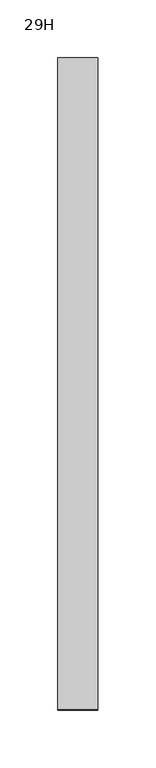
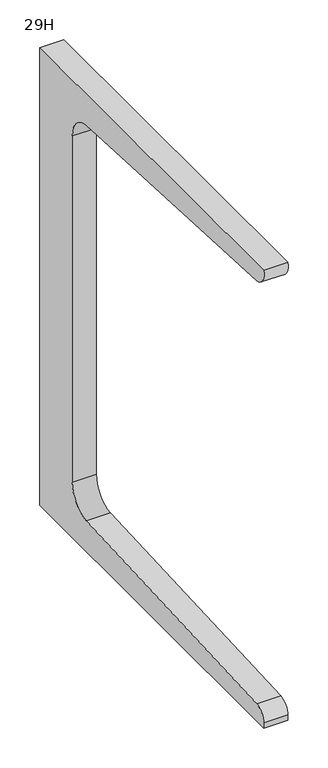
"""IFC4 building model written with IfcOpenShell, lengths in millimetres: furniture geometry, 29H."""

from ifc_helpers import new_model, si_unit, point, frame, frame_2d, origin, place, context, project, spatial, polyline, circle_curve, trimmed, segment, composite_curve, outline, extrude, source, transform, mapped, element, save


def furniture_29h_8c2367fe(model_context):
    return source(origin(), model_context, "Body", "SweptSolid", [
        extrude(outline(composite_curve([segment(polyline([(660.4, 704.85), (660.4, 0.0), (95.25, 0.0), (95.25, 7.8232003)]), True, "CONTINUOUS"), segment(trimmed(circle_curve(frame_2d((114.3089124, 7.8232003)), 19.0589124), [point((95.25, 7.8232003))], [point((112.8014117, 26.8223999))], False, "CARTESIAN"), True, "CONTINUOUS"), segment(polyline([(112.8014117, 26.8223999), (542.8234013, 48.0059996)]), True, "CONTINUOUS"), segment(trimmed(circle_curve(frame_2d((539.7255286, 86.0043979)), 38.1244684), [point((542.8234013, 48.0059996))], [point((577.849997, 86.0043979))], True, "CARTESIAN"), True, "CONTINUOUS"), segment(polyline([(577.849997, 86.0043979), (577.849997, 618.8455839)]), True, "CONTINUOUS"), segment(trimmed(circle_curve(frame_2d((539.7255188, 618.8455839)), 38.1244782), [point((577.849997, 618.8455839))], [point((542.8234013, 656.8439913))], True, "CARTESIAN"), True, "CONTINUOUS"), segment(polyline([(542.8234013, 656.8439913), (112.8014117, 678.027582)]), True, "CONTINUOUS"), segment(trimmed(circle_curve(frame_2d((115.1203543, 698.6986414)), 20.8007258), [point((112.8014117, 678.027582))], [point((95.25, 704.85))], False, "CARTESIAN"), True, "CONTINUOUS"), segment(polyline([(95.25, 704.85), (660.4, 704.85)]), True, "CONTINUOUS")], self_intersect=False)), frame((134.9375, 0.0, 0.0), z_axis=(1.0, 0.0, 0.0), x_axis=(0.0, 1.0, 0.0)), (0.0, 0.0, 1.0), 34.925),
    ])


if __name__ == "__main__":
    model = new_model("IFC4")
    model_context = context("Model", 3, world=origin())
    ifc_project = project(units=[si_unit("LENGTHUNIT", "METRE", prefix="MILLI")], contexts=[model_context])
    site = spatial("IfcSite", under=ifc_project)
    building = spatial("IfcBuilding", under=site)
    placement = place(None, origin())
    furniture_29h_shape = furniture_29h_8c2367fe(model_context)
    element("IfcFurniture", 1, ObjectType="29H", at=placement, inside=building, context=model_context, shape_type="MappedRepresentation", body=[
        mapped(furniture_29h_shape, transform((0.0, 0.0, 0.0), x_axis=(1.0, 0.0, 0.0), y_axis=(0.0, 1.0, 0.0), z_axis=(0.0, 0.0, 1.0))),
    ])
    save(model, "model.ifc")
